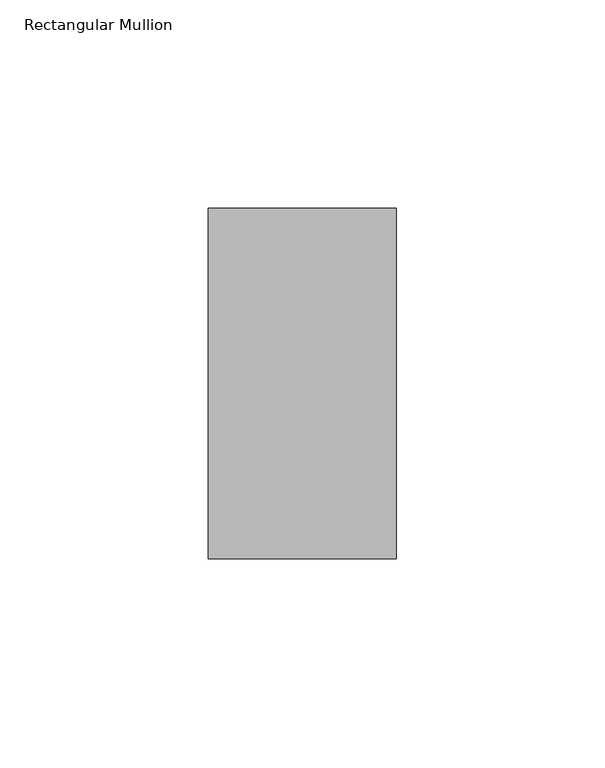
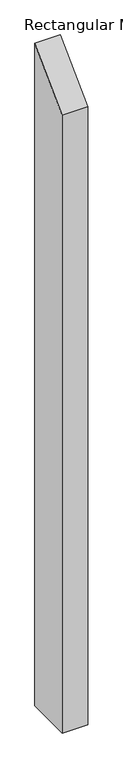
"""IFC4 building model written with IfcOpenShell, lengths in millimetres: member geometry, Rectangular Mullion."""

from ifc_helpers import new_model, si_unit, frame, origin, place, context, project, spatial, polyline, outline, extrude, source, transform, mapped, element, save


def rectangular_mullion_8598a6df(model_context):
    return source(origin(), model_context, "Body", "SweptSolid", [
        extrude(outline(polyline([(-42.0, -42.0), (42.0, 42.0), (42.0, -1200.0000003), (-42.0, -1200.0000003), (-42.0, -42.0)])), frame((-45.0, 0.0, 0.0), z_axis=(1.0, 0.0, 0.0), x_axis=(0.0, 1.0, 0.0)), (0.0, 0.0, 1.0), 45.0),
    ])


if __name__ == "__main__":
    model = new_model("IFC4")
    model_context = context("Model", 3, world=origin())
    ifc_project = project(units=[si_unit("LENGTHUNIT", "METRE", prefix="MILLI")], contexts=[model_context])
    site = spatial("IfcSite", under=ifc_project)
    building = spatial("IfcBuilding", under=site)
    placement = place(None, origin())
    rectangular_mullion_shape = rectangular_mullion_8598a6df(model_context)
    element("IfcMember", 1, ObjectType="Rectangular Mullion", at=placement, inside=building, context=model_context, shape_type="MappedRepresentation", body=[
        mapped(rectangular_mullion_shape, transform((0.0, 0.0, 0.0), x_axis=(1.0, 0.0, 0.0), y_axis=(0.0, 1.0, 0.0), z_axis=(0.0, 0.0, 1.0))),
    ])
    save(model, "model.ifc")
